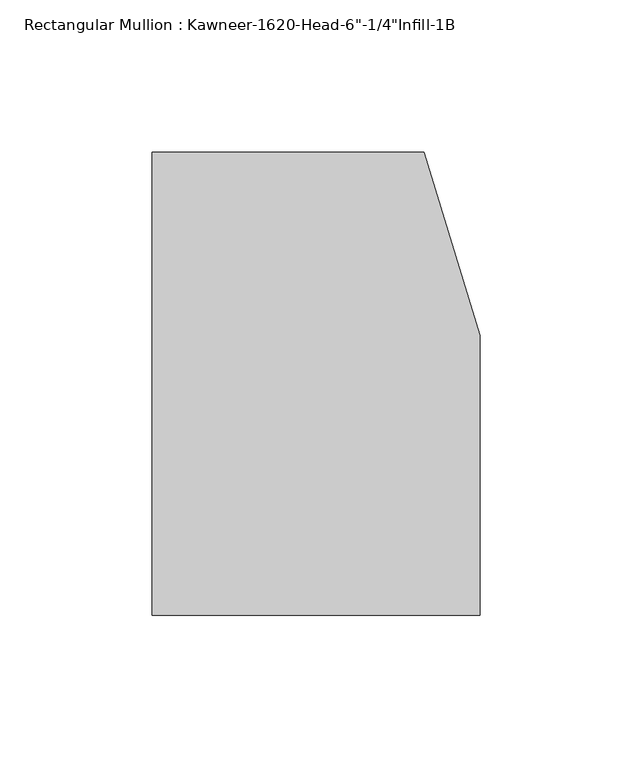
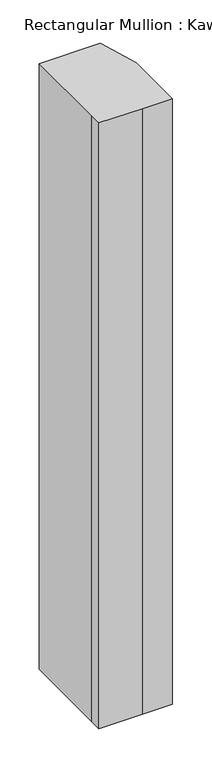
"""IFC4 building model written with IfcOpenShell, lengths in millimetres: member geometry."""

from ifc_helpers import new_model, si_unit, frame, origin, place, context, project, spatial, polyline, outline, extrude, source, transform, mapped, element, save


def member_852534ae(model_context):
    return source(origin(), model_context, "Body", "SweptSolid", [
        extrude(outline(polyline([(-107.95, -10.3845466), (-107.95, 123.825), (-18.3538271, 123.825), (0.0, 63.5), (0.0, -28.575), (-44.1519366, -28.575), (-107.95, -28.575), (-107.95, -10.3845466)])), frame((0.0, 0.0, -942.975), z_axis=(0.0, 0.0, 1.0), x_axis=(1.0, 0.0, 0.0)), (0.0, 0.0, 1.0), 942.975),
    ])


if __name__ == "__main__":
    model = new_model("IFC4")
    model_context = context("Model", 3, world=origin())
    ifc_project = project(units=[si_unit("LENGTHUNIT", "METRE", prefix="MILLI")], contexts=[model_context])
    site = spatial("IfcSite", under=ifc_project)
    building = spatial("IfcBuilding", under=site)
    placement = place(None, origin())
    member_shape = member_852534ae(model_context)
    element("IfcMember", 1, ObjectType="Rectangular Mullion : Kawneer-1620-Head-6\"-1/4\"Infill-1B", at=placement, inside=building, context=model_context, shape_type="MappedRepresentation", body=[
        mapped(member_shape, transform((0.0, 0.0, 0.0), x_axis=(1.0, 0.0, 0.0), y_axis=(0.0, 1.0, 0.0), z_axis=(0.0, 0.0, 1.0))),
    ])
    save(model, "model.ifc")
